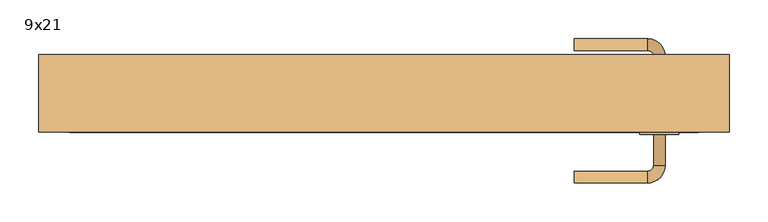
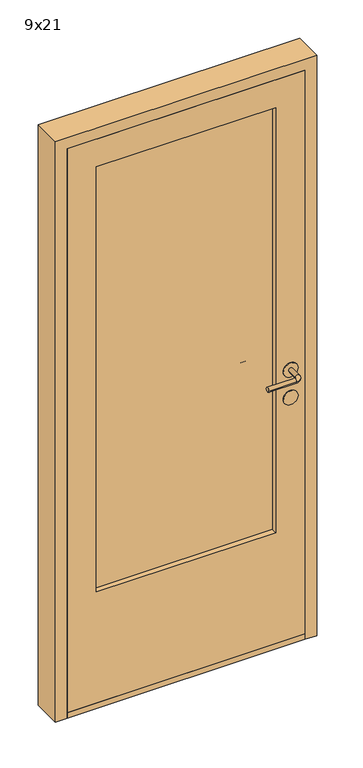
"""IFC4 building model written with IfcOpenShell, lengths in millimetres: door geometry, 9x21."""

from ifc_helpers import new_model, si_unit, point, frame, frame_2d, origin, place, context, project, spatial, polyline, circle_curve, ellipse_curve, trimmed, segment, composite_curve, outline, extrude, source, transform, mapped, element, save
from ifc_brep_helpers import plane_surface, cylinder_surface, revolved_surface, advanced_brep


def door_9x21_8d1df086(model_context):
    return source(origin(), model_context, "Body", "SolidModel", [
        extrude(outline(polyline([(-305.0, -101.6666667), (-305.0, -83.3333333), (305.0, -83.3333333), (305.0, -101.6666667), (-305.0, -101.6666667)])), frame((0.0, 0.0, 430.0), z_axis=(0.0, 0.0, 1.0), x_axis=(1.0, 0.0, 0.0)), (0.0, 0.0, 1.0), 1530.0),
        extrude(outline(polyline([(30.0, -405.0), (30.0, 405.0), (2060.0, 405.0), (2060.0, -405.0), (30.0, -405.0)]), holes=[polyline([(430.0, 305.0), (430.0, -305.0), (1960.0, -305.0), (1960.0, 305.0), (430.0, 305.0)])]), frame((0.0, -120.0, 0.0), z_axis=(0.0, 1.0, 0.0), x_axis=(0.0, 0.0, 1.0)), (0.0, 0.0, 1.0), 55.0),
        advanced_brep(
        [(347.5, -62.0, 1000.0), (362.5, -62.0, 1000.0), (362.5, -22.0, 1000.0), (347.5, -22.0, 1000.0), (340.0, 0.5, 1000.0), (340.0, -14.5, 1000.0), (245.0, -14.5, 1000.0), (245.0, 0.5, 1000.0)],
        [
            (0, 1, circle_curve(frame((355.0, -62.0, 1000.0), z_axis=(0.0, -1.0, 0.0), x_axis=(1.0, 0.0, 0.0)), 7.5)),
            (1, 0, circle_curve(frame((355.0, -62.0, 1000.0), z_axis=(0.0, -1.0, 0.0), x_axis=(1.0, 0.0, 0.0)), 7.5)),
            (1, 2),
            (2, 3, circle_curve(frame((355.0, -22.0, 1000.0), z_axis=(0.0, -1.0, 0.0), x_axis=(1.0, 0.0, 0.0)), 7.5)),
            (3, 0),
            (3, 2, circle_curve(frame((355.0, -22.0, 1000.0), z_axis=(0.0, -1.0, 0.0), x_axis=(1.0, 0.0, 0.0)), 7.5)),
            (4, 5, circle_curve(frame((340.0, -7.0, 1000.0), z_axis=(1.0, 0.0, 0.0), x_axis=(0.0, 1.0, 0.0)), 7.5)),
            (5, 3, circle_curve(frame((340.0, -22.0, 1000.0), z_axis=(0.0, 0.0, -1.0), x_axis=(1.0, 0.0, 0.0)), 7.5)),
            (2, 4, circle_curve(frame((340.0, -22.0, 1000.0), z_axis=(0.0, 0.0, 1.0), x_axis=(1.0, 0.0, 0.0)), 22.5)),
            (5, 4, circle_curve(frame((340.0, -7.0, 1000.0), z_axis=(1.0, 0.0, 0.0), x_axis=(0.0, 1.0, 0.0)), 7.5)),
            (6, 7, circle_curve(frame((245.0, -7.0, 1000.0), z_axis=(-1.0, 0.0, 0.0), x_axis=(0.0, 1.0, 0.0)), 7.5)),
            (7, 6, circle_curve(frame((245.0, -7.0, 1000.0), z_axis=(-1.0, 0.0, 0.0), x_axis=(0.0, 1.0, 0.0)), 7.5)),
            (4, 7),
            (6, 5),
        ],
        [
            plane_surface(frame((355.0, -62.0, 1000.0), z_axis=(0.0, -1.0, 0.0), x_axis=(0.0, 0.0, 1.0))),
            cylinder_surface(frame((355.0, -62.0, 1000.0), z_axis=(0.0, -1.0, 0.0), x_axis=(1.0, 0.0, 0.0)), 7.5),
            revolved_surface(trimmed(ellipse_curve(frame((355.0, -22.0, 1000.0), z_axis=(0.0, 1.0, 0.0), x_axis=(1.0, 0.0, 0.0)), 7.5, 7.5), [point((347.5, -22.0, 1000.0))], [point((362.5, -22.0, 1000.0))], True, "CARTESIAN"), (340.0, -22.0, 1000.0), (0.0, 0.0, -1.0)),
            revolved_surface(trimmed(ellipse_curve(frame((355.0, -22.0, 1000.0), z_axis=(0.0, 1.0, 0.0), x_axis=(1.0, 0.0, 0.0)), 7.5, 7.5), [point((362.5, -22.0, 1000.0))], [point((347.5, -22.0, 1000.0))], True, "CARTESIAN"), (340.0, -22.0, 1000.0), (0.0, 0.0, -1.0)),
            plane_surface(frame((245.0, -7.0, 1000.0), z_axis=(-1.0, 0.0, 0.0), x_axis=(0.0, 0.0, 1.0))),
            cylinder_surface(frame((340.0, -7.0, 1000.0), z_axis=(1.0, 0.0, 0.0), x_axis=(0.0, 1.0, 0.0)), 7.5),
        ],
        [
            (0, [[1, 2]]),
            (1, [[3, 4, 5, -2]]),
            (1, [[-5, 6, -3, -1]]),
            (2, [[7, 8, -4, 9]]),
            (3, [[10, -9, -6, -8]]),
            (4, [[11, 12]]),
            (5, [[13, -11, 14, -7]]),
            (5, [[-14, -12, -13, -10]]),
        ],
    ),
        advanced_brep(
        [(362.5, -123.0, 1000.0), (347.5, -123.0, 1000.0), (347.5, -163.0, 1000.0), (362.5, -163.0, 1000.0), (340.0, -170.5, 1000.0), (340.0, -185.5, 1000.0), (245.0, -185.5, 1000.0), (245.0, -170.5, 1000.0)],
        [
            (0, 1, circle_curve(frame((355.0, -123.0, 1000.0), z_axis=(0.0, 1.0, 0.0), x_axis=(-1.0, 0.0, 0.0)), 7.5)),
            (1, 0, circle_curve(frame((355.0, -123.0, 1000.0), z_axis=(0.0, 1.0, 0.0), x_axis=(-1.0, 0.0, 0.0)), 7.5)),
            (1, 2),
            (2, 3, circle_curve(frame((355.0, -163.0, 1000.0), z_axis=(0.0, 1.0, 0.0), x_axis=(-1.0, 0.0, 0.0)), 7.5)),
            (3, 0),
            (3, 2, circle_curve(frame((355.0, -163.0, 1000.0), z_axis=(0.0, 1.0, 0.0), x_axis=(-1.0, 0.0, 0.0)), 7.5)),
            (4, 5, circle_curve(frame((340.0, -178.0, 1000.0), z_axis=(1.0, 0.0, 0.0), x_axis=(0.0, 1.0, 0.0)), 7.5)),
            (5, 3, circle_curve(frame((340.0, -163.0, 1000.0), z_axis=(0.0, 0.0, 1.0), x_axis=(1.0, 0.0, 0.0)), 22.5)),
            (2, 4, circle_curve(frame((340.0, -163.0, 1000.0), z_axis=(0.0, 0.0, -1.0), x_axis=(1.0, 0.0, 0.0)), 7.5)),
            (5, 4, circle_curve(frame((340.0, -178.0, 1000.0), z_axis=(1.0, 0.0, 0.0), x_axis=(0.0, 1.0, 0.0)), 7.5)),
            (6, 7, circle_curve(frame((245.0, -178.0, 1000.0), z_axis=(-1.0, 0.0, 0.0), x_axis=(0.0, 1.0, 0.0)), 7.5)),
            (7, 6, circle_curve(frame((245.0, -178.0, 1000.0), z_axis=(-1.0, 0.0, 0.0), x_axis=(0.0, 1.0, 0.0)), 7.5)),
            (4, 7),
            (6, 5),
        ],
        [
            plane_surface(frame((355.0, -123.0, 1000.0), z_axis=(0.0, 1.0, 0.0), x_axis=(0.0, 0.0, 1.0))),
            cylinder_surface(frame((355.0, -123.0, 1000.0), z_axis=(0.0, 1.0, 0.0), x_axis=(-1.0, 0.0, 0.0)), 7.5),
            revolved_surface(trimmed(ellipse_curve(frame((355.0, -163.0, 1000.0), z_axis=(0.0, -1.0, 0.0), x_axis=(-1.0, 0.0, 0.0)), 7.5, 7.5), [point((362.5, -163.0, 1000.0))], [point((347.5, -163.0, 1000.0))], True, "CARTESIAN"), (340.0, -163.0, 1000.0), (0.0, 0.0, 1.0)),
            revolved_surface(trimmed(ellipse_curve(frame((355.0, -163.0, 1000.0), z_axis=(0.0, -1.0, 0.0), x_axis=(-1.0, 0.0, 0.0)), 7.5, 7.5), [point((347.5, -163.0, 1000.0))], [point((362.5, -163.0, 1000.0))], True, "CARTESIAN"), (340.0, -163.0, 1000.0), (0.0, 0.0, 1.0)),
            plane_surface(frame((245.0, -178.0, 1000.0), z_axis=(-1.0, 0.0, 0.0), x_axis=(0.0, 0.0, 1.0))),
            cylinder_surface(frame((340.0, -178.0, 1000.0), z_axis=(1.0, 0.0, 0.0), x_axis=(0.0, 1.0, 0.0)), 7.5),
        ],
        [
            (0, [[1, 2]]),
            (1, [[3, 4, 5, -2]]),
            (1, [[-5, 6, -3, -1]]),
            (2, [[7, 8, -4, 9]]),
            (3, [[10, -9, -6, -8]]),
            (4, [[11, 12]]),
            (5, [[13, -11, 14, -7]]),
            (5, [[-14, -12, -13, -10]]),
        ],
    ),
        extrude(outline(composite_curve([segment(trimmed(circle_curve(frame_2d((900.0, 354.970927)), 25.0), [point((900.0, 329.970927))], [point((900.0, 379.970927))], False, "CARTESIAN"), True, "CONTINUOUS"), segment(trimmed(circle_curve(frame_2d((900.0, 354.970927)), 25.0), [point((900.0, 379.970927))], [point((900.0, 329.970927))], False, "CARTESIAN"), True, "CONTINUOUS")], self_intersect=False)), frame((0.0, -65.0, 0.0), z_axis=(0.0, 1.0, 0.0), x_axis=(0.0, 0.0, 1.0)), (0.0, 0.0, 1.0), 3.0),
        extrude(outline(composite_curve([segment(trimmed(circle_curve(frame_2d((1000.0, 354.970927)), 25.0), [point((1000.0, 329.970927))], [point((1000.0, 379.970927))], False, "CARTESIAN"), True, "CONTINUOUS"), segment(trimmed(circle_curve(frame_2d((1000.0, 354.970927)), 25.0), [point((1000.0, 379.970927))], [point((1000.0, 329.970927))], False, "CARTESIAN"), True, "CONTINUOUS")], self_intersect=False)), frame((0.0, -65.0, 0.0), z_axis=(0.0, 1.0, 0.0), x_axis=(0.0, 0.0, 1.0)), (0.0, 0.0, 1.0), 3.0),
        extrude(outline(composite_curve([segment(trimmed(circle_curve(frame_2d((900.0, 354.970927)), 25.0), [point((900.0, 329.970927))], [point((900.0, 379.970927))], False, "CARTESIAN"), True, "CONTINUOUS"), segment(trimmed(circle_curve(frame_2d((900.0, 354.970927)), 25.0), [point((900.0, 379.970927))], [point((900.0, 329.970927))], False, "CARTESIAN"), True, "CONTINUOUS")], self_intersect=False)), frame((0.0, -123.0, 0.0), z_axis=(0.0, 1.0, 0.0), x_axis=(0.0, 0.0, 1.0)), (0.0, 0.0, 1.0), 3.0),
        extrude(outline(composite_curve([segment(trimmed(circle_curve(frame_2d((1000.0, 354.970927)), 25.0), [point((1000.0, 329.970927))], [point((1000.0, 379.970927))], False, "CARTESIAN"), True, "CONTINUOUS"), segment(trimmed(circle_curve(frame_2d((1000.0, 354.970927)), 25.0), [point((1000.0, 379.970927))], [point((1000.0, 329.970927))], False, "CARTESIAN"), True, "CONTINUOUS")], self_intersect=False)), frame((0.0, -123.0, 0.0), z_axis=(0.0, 1.0, 0.0), x_axis=(0.0, 0.0, 1.0)), (0.0, 0.0, 1.0), 3.0),
        extrude(outline(polyline([(-405.0, -20.0), (405.0, -20.0), (405.0, -120.0), (-405.0, -120.0), (-405.0, -20.0)])), frame((0.0, 0.0, 10.0), z_axis=(0.0, 0.0, 1.0), x_axis=(1.0, 0.0, 0.0)), (0.0, 0.0, 1.0), 20.0),
        extrude(outline(polyline([(10.0, 445.0), (2100.0, 445.0), (2100.0, -445.0), (10.0, -445.0), (10.0, -405.0), (2060.0, -405.0), (2060.0, 405.0), (10.0, 405.0), (10.0, 445.0)])), frame((0.0, -120.0, 0.0), z_axis=(0.0, 1.0, 0.0), x_axis=(0.0, 0.0, 1.0)), (0.0, 0.0, 1.0), 100.0),
    ])


if __name__ == "__main__":
    model = new_model("IFC4")
    model_context = context("Model", 3, world=origin())
    ifc_project = project(units=[si_unit("LENGTHUNIT", "METRE", prefix="MILLI")], contexts=[model_context])
    site = spatial("IfcSite", under=ifc_project)
    building = spatial("IfcBuilding", under=site)
    placement = place(None, origin())
    door_9x21_shape = door_9x21_8d1df086(model_context)
    element("IfcDoor", 1, ObjectType="9x21", at=placement, inside=building, context=model_context, shape_type="MappedRepresentation", body=[
        mapped(door_9x21_shape, transform((0.0, 0.0, 0.0), x_axis=(1.0, 0.0, 0.0), y_axis=(0.0, 1.0, 0.0), z_axis=(0.0, 0.0, 1.0))),
    ])
    save(model, "model.ifc")
